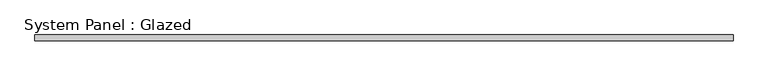
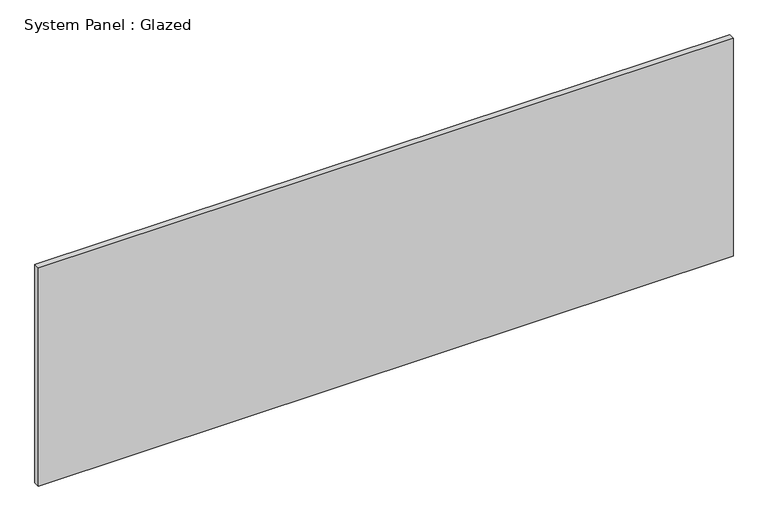
"""IFC4 building model written with IfcOpenShell, lengths in millimetres: plate geometry, System Panel : Glazed."""

from ifc_helpers import new_model, si_unit, origin, origin_with_axes, place, context, project, spatial, polyline, outline, extrude, source, transform, mapped, element, save


def system_panel_glazed_1170664b(model_context):
    return source(origin(), model_context, "Body", "SweptSolid", [
        extrude(outline(polyline([(736.6, 25.4), (-736.6, 25.4), (-736.6, 38.1), (736.6, 38.1), (736.6, 25.4)])), origin_with_axes(), (0.0, 0.0, 1.0), 488.95),
    ])


if __name__ == "__main__":
    model = new_model("IFC4")
    model_context = context("Model", 3, world=origin())
    ifc_project = project(units=[si_unit("LENGTHUNIT", "METRE", prefix="MILLI")], contexts=[model_context])
    site = spatial("IfcSite", under=ifc_project)
    building = spatial("IfcBuilding", under=site)
    placement = place(None, origin())
    system_panel_glazed_shape = system_panel_glazed_1170664b(model_context)
    element("IfcPlate", 1, ObjectType="System Panel : Glazed", at=placement, inside=building, context=model_context, shape_type="MappedRepresentation", body=[
        mapped(system_panel_glazed_shape, transform((0.0, 0.0, 0.0), x_axis=(1.0, 0.0, 0.0), y_axis=(0.0, 1.0, 0.0), z_axis=(0.0, 0.0, 1.0))),
    ])
    save(model, "model.ifc")
